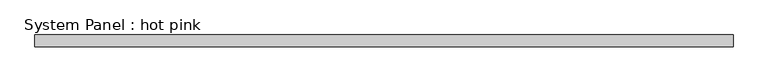
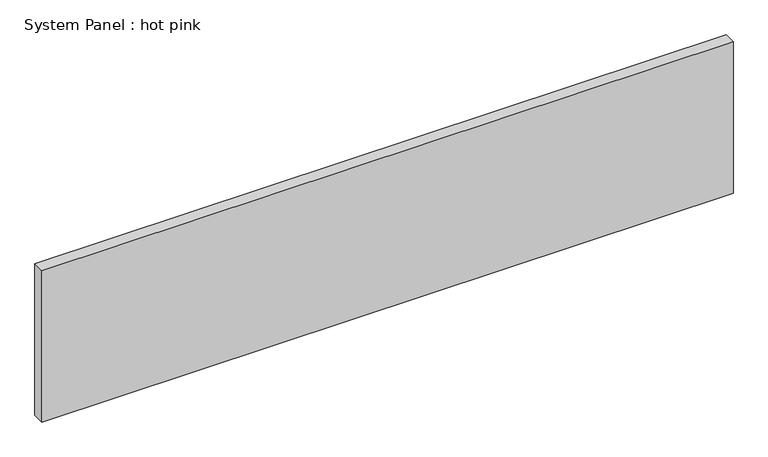
"""IFC4 building model written with IfcOpenShell, lengths in millimetres: plate geometry, System Panel : hot pink."""

from ifc_helpers import new_model, si_unit, origin, origin_with_axes, place, context, project, spatial, polyline, outline, extrude, source, transform, mapped, element, save


def system_panel_hot_pink_3bc12326(model_context):
    return source(origin(), model_context, "Body", "SweptSolid", [
        extrude(outline(polyline([(1837.5752733, -44.45), (-1837.5752733, -44.45), (-1837.5752733, 19.05), (1837.5752733, 19.05), (1837.5752733, -44.45)])), origin_with_axes(), (0.0, 0.0, 1.0), 850.9),
    ])


if __name__ == "__main__":
    model = new_model("IFC4")
    model_context = context("Model", 3, world=origin())
    ifc_project = project(units=[si_unit("LENGTHUNIT", "METRE", prefix="MILLI")], contexts=[model_context])
    site = spatial("IfcSite", under=ifc_project)
    building = spatial("IfcBuilding", under=site)
    placement = place(None, origin())
    system_panel_hot_pink_shape = system_panel_hot_pink_3bc12326(model_context)
    element("IfcPlate", 1, ObjectType="System Panel : hot pink", at=placement, inside=building, context=model_context, shape_type="MappedRepresentation", body=[
        mapped(system_panel_hot_pink_shape, transform((0.0, 0.0, 0.0), x_axis=(1.0, 0.0, 0.0), y_axis=(0.0, 1.0, 0.0), z_axis=(0.0, 0.0, 1.0))),
    ])
    save(model, "model.ifc")
